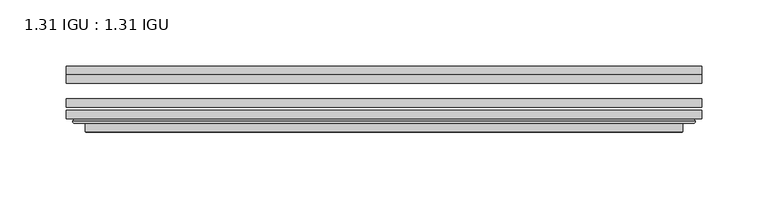
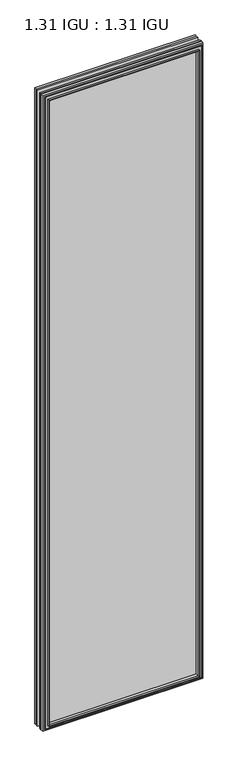
"""IFC4 building model written with IfcOpenShell, lengths in millimetres: plate geometry, 1.31 IGU : 1.31 IGU."""

from ifc_helpers import new_model, si_unit, frame, origin, place, context, project, spatial, polyline, ellipse_curve, outline, extrude, faceted_brep, source, transform, mapped, element, save
from ifc_brep_helpers import plane_surface, cylinder_surface, advanced_brep


def plate_1_31_igu_1_31_igu_384d74a5(model_context):
    return source(origin(), model_context, "Body", "SolidModel", [
        extrude(outline(polyline([(239.726675, -66.4725937), (239.726675, -72.8225938), (-239.7125, -72.8225938), (-239.7125, -66.4725937), (239.726675, -66.4725937)])), frame((0.0, 0.0, -14.2875), z_axis=(0.0, 0.0, 1.0), x_axis=(1.0, 0.0, 0.0)), (0.0, 0.0, 1.0), 2009.7964726),
        extrude(outline(polyline([(-239.7125, -81.4585938), (-239.7125, -75.1080887), (239.726675, -75.1080887), (239.726675, -81.4585938), (-239.7125, -81.4585938)])), frame((0.0, 0.0, -14.2875), z_axis=(0.0, 0.0, 1.0), x_axis=(1.0, 0.0, 0.0)), (0.0, 0.0, 1.0), 2009.7964726),
        extrude(outline(polyline([(239.726675, -48.1337937), (239.726675, -54.4837938), (-239.7125, -54.4837938), (-239.7125, -48.1337937), (239.726675, -48.1337937)])), frame((0.0, 0.0, -14.2875), z_axis=(0.0, 0.0, 1.0), x_axis=(1.0, 0.0, 0.0)), (0.0, 0.0, 1.0), 2009.7964726),
        faceted_brep([(-225.4196902, -41.7837938, 1981.2123649), (-224.5272559, -48.1337937, 1980.3199306), (-224.5272559, -48.1337937, 0.8977441), (-225.4196902, -41.7837938, 0.0053098), (-239.7252, -48.1337937, 1995.5178747), (-239.7252, -41.7837938, 1995.5178747), (-239.7252, -41.7837938, -14.3002), (-239.7252, -48.1337937, -14.3002), (224.5272559, -48.1337937, 0.8977441), (225.4196902, -41.7837938, 0.0053098), (239.7252, -41.7837938, -14.3002), (239.7252, -48.1337937, -14.3002), (224.5272559, -48.1337937, 1980.3199306), (225.4196902, -41.7837938, 1981.2123649), (239.7252, -41.7837938, 1995.5178747), (239.7252, -48.1337937, 1995.5178747)], [[[0, 1, 2, 3]], [[4, 5, 6, 7]], [[3, 2, 8, 9]], [[7, 6, 10, 11]], [[9, 8, 12, 13]], [[11, 10, 14, 15]], [[7, 11, 15, 4], [1, 12, 8, 2]], [[13, 12, 1, 0]], [[5, 14, 10, 6], [3, 9, 13, 0]], [[15, 14, 5, 4]]]),
        advanced_brep(
        [(-233.8236349, -84.6335938, 1989.6163096), (-234.8254244, -83.4482604, 1990.6180991), (-234.8254244, -83.4482604, -9.4004244), (-233.8236349, -84.6335938, -8.3986349), (-225.4195784, -91.0948368, 1981.2122532), (-225.4195784, -84.6335938, 1981.2122532), (-225.4195784, -84.6335938, 0.0054216), (-225.4195784, -91.0948368, 0.0054216), (-224.4289217, -90.6958619, 1980.2215964), (-224.4289217, -90.6958619, 0.9960783), (-223.3968939, -85.2986307, 1979.1895686), (-223.3968939, -85.2986307, 2.0281061), (-218.4620621, -81.4585938, 1974.2547368), (-218.4620621, -81.4585938, 6.9629379), (-232.471219, -81.4585938, 1988.2638938), (-232.471219, -81.4585938, -7.046219), (234.8254244, -83.4482604, -9.4004244), (233.8236349, -84.6335938, -8.3986349), (225.4195784, -84.6335938, 0.0054216), (225.4195784, -91.0948368, 0.0054216), (224.4289217, -90.6958619, 0.9960783), (223.3968939, -85.2986307, 2.0281061), (218.4620621, -81.4585938, 6.9629379), (232.471219, -81.4585938, -7.046219), (234.8254244, -83.4482604, 1990.6180991), (233.8236349, -84.6335938, 1989.6163096), (225.4195784, -84.6335938, 1981.2122532), (225.4195784, -91.0948368, 1981.2122532), (224.4289217, -90.6958619, 1980.2215964), (223.3968939, -85.2986307, 1979.1895686), (218.4620621, -81.4585938, 1974.2547368), (232.471219, -81.4585938, 1988.2638938)],
        [
            (0, 1, ellipse_curve(frame((-233.8236349, -83.6175938, 1989.6163096), z_axis=(-0.7071067811865475, 0.0, -0.7071067811865475), x_axis=(-0.7071067811865474, 0.0, 0.7071067811865476)), 1.436841, 1.016)),
            (1, 2),
            (2, 3, ellipse_curve(frame((-233.8236349, -83.6175938, -8.3986349), z_axis=(-0.7071067811865475, 0.0, 0.7071067811865475), x_axis=(0.7071067811865474, 0.0, 0.7071067811865476)), 1.436841, 1.016)),
            (3, 0),
            (4, 5),
            (5, 6),
            (6, 7),
            (7, 4),
            (8, 4, ellipse_curve(frame((-225.0526219, -90.5766015, 1980.8452966), z_axis=(-0.7071067811865475, 0.0, -0.7071067811865475), x_axis=(-0.7071067811865474, 0.0, 0.7071067811865476)), 0.8980256, 0.635)),
            (7, 9, ellipse_curve(frame((-225.0526219, -90.5766015, 0.3723781), z_axis=(-0.7071067811865475, 0.0, 0.7071067811865475), x_axis=(0.7071067811865474, 0.0, 0.7071067811865476)), 0.8980256, 0.635)),
            (9, 8),
            (10, 8),
            (9, 11),
            (11, 10),
            (12, 10),
            (11, 13),
            (13, 12),
            (1, 14, ellipse_curve(frame((-232.471219, -83.8461938, 1988.2638938), z_axis=(-0.7071067811865475, 0.0, -0.7071067811865475), x_axis=(-0.7071067811865474, 0.0, 0.7071067811865476)), 3.3765763, 2.3876)),
            (14, 15),
            (15, 2, ellipse_curve(frame((-232.471219, -83.8461938, -7.046219), z_axis=(-0.7071067811865475, 0.0, 0.7071067811865475), x_axis=(0.7071067811865474, 0.0, 0.7071067811865476)), 3.3765763, 2.3876)),
            (2, 16),
            (16, 17, ellipse_curve(frame((233.8236349, -83.6175938, -8.3986349), z_axis=(-0.7071067811865475, 0.0, -0.7071067811865475), x_axis=(-0.7071067811865476, 0.0, 0.7071067811865474)), 1.436841, 1.016)),
            (17, 3),
            (6, 18),
            (18, 19),
            (19, 7),
            (19, 20, ellipse_curve(frame((225.0526219, -90.5766015, 0.3723781), z_axis=(-0.7071067811865475, 0.0, -0.7071067811865475), x_axis=(-0.7071067811865476, 0.0, 0.7071067811865474)), 0.8980256, 0.635)),
            (20, 9),
            (20, 21),
            (21, 11),
            (21, 22),
            (22, 13),
            (15, 23),
            (23, 16, ellipse_curve(frame((232.471219, -83.8461938, -7.046219), z_axis=(-0.7071067811865475, 0.0, -0.7071067811865475), x_axis=(-0.7071067811865476, 0.0, 0.7071067811865474)), 3.3765763, 2.3876)),
            (16, 24),
            (24, 25, ellipse_curve(frame((233.8236349, -83.6175938, 1989.6163096), z_axis=(0.7071067811865475, 0.0, -0.7071067811865475), x_axis=(-0.7071067811865474, 0.0, -0.7071067811865476)), 1.436841, 1.016)),
            (25, 17),
            (18, 26),
            (26, 27),
            (27, 19),
            (27, 28, ellipse_curve(frame((225.0526219, -90.5766015, 1980.8452966), z_axis=(0.7071067811865475, 0.0, -0.7071067811865475), x_axis=(-0.7071067811865474, 0.0, -0.7071067811865476)), 0.8980256, 0.635)),
            (28, 20),
            (28, 29),
            (29, 21),
            (29, 30),
            (30, 22),
            (23, 31),
            (31, 24, ellipse_curve(frame((232.471219, -83.8461938, 1988.2638938), z_axis=(0.7071067811865475, 0.0, -0.7071067811865475), x_axis=(-0.7071067811865474, 0.0, -0.7071067811865476)), 3.3765763, 2.3876)),
            (24, 1),
            (0, 25),
            (5, 26),
            (4, 27),
            (8, 28),
            (10, 29),
            (12, 30),
            (14, 31),
        ],
        [
            cylinder_surface(frame((-233.8236349, -83.6175938, 2012.9676747), z_axis=(0.0, 0.0, 1.0), x_axis=(-1.0, 0.0, 0.0)), 1.016),
            plane_surface(frame((-225.4195784, -84.6335938, 1981.2122532), z_axis=(-1.0, 0.0, 0.0), x_axis=(0.0, 0.0, -1.0))),
            cylinder_surface(frame((-225.0526219, -90.5766015, 2012.9676747), z_axis=(0.0, 0.0, 1.0), x_axis=(-1.0, 0.0, 0.0)), 0.635),
            plane_surface(frame((-224.4289217, -90.6958619, 1980.2215964), z_axis=(0.9822050625507717, -0.1878116479338675, 0.0), x_axis=(0.0, 0.0, -1.0))),
            plane_surface(frame((-223.3968939, -85.2986307, 1979.1895686), z_axis=(0.6141233906514726, -0.7892100234124875, 0.0), x_axis=(0.0, 0.0, -1.0))),
            cylinder_surface(frame((-232.471219, -83.8461938, 2012.9676747), z_axis=(0.0, 0.0, 1.0), x_axis=(-1.0, 0.0, 0.0)), 2.3876),
            cylinder_surface(frame((-257.175, -83.6175938, -8.3986349), z_axis=(-1.0, 0.0, 0.0), x_axis=(0.0, 0.0, -1.0)), 1.016),
            plane_surface(frame((-225.4195784, -84.6335938, 0.0054216), z_axis=(0.0, 0.0, -1.0), x_axis=(1.0, 0.0, 0.0))),
            cylinder_surface(frame((-257.175, -90.5766015, 0.3723781), z_axis=(-1.0, 0.0, 0.0), x_axis=(0.0, 0.0, -1.0)), 0.635),
            plane_surface(frame((-224.4289217, -90.6958619, 0.9960783), z_axis=(0.0, -0.18781164793386435, 0.9822050625507722), x_axis=(1.0, 0.0, 0.0))),
            plane_surface(frame((-223.3968939, -85.2986307, 2.0281061), z_axis=(0.0, -0.7892100234124855, 0.6141233906514751), x_axis=(1.0, 0.0, 0.0))),
            cylinder_surface(frame((-257.175, -83.8461938, -7.046219), z_axis=(-1.0, 0.0, 0.0), x_axis=(0.0, 0.0, -1.0)), 2.3876),
            cylinder_surface(frame((233.8236349, -83.6175938, -31.75), z_axis=(0.0, 0.0, -1.0), x_axis=(1.0, 0.0, 0.0)), 1.016),
            plane_surface(frame((225.4195784, -84.6335938, 0.0054216), z_axis=(1.0, 0.0, 0.0), x_axis=(0.0, 0.0, 1.0))),
            cylinder_surface(frame((225.0526219, -90.5766015, -31.75), z_axis=(0.0, 0.0, -1.0), x_axis=(1.0, 0.0, 0.0)), 0.635),
            plane_surface(frame((224.4289217, -90.6958619, 0.9960783), z_axis=(-0.9822050625507728, -0.18781164793386118, 0.0), x_axis=(0.0, 0.0, 1.0))),
            plane_surface(frame((223.3968939, -85.2986307, 2.0281061), z_axis=(-0.6141233906514777, -0.7892100234124835, 0.0), x_axis=(0.0, 0.0, 1.0))),
            cylinder_surface(frame((232.471219, -83.8461938, -31.75), z_axis=(0.0, 0.0, -1.0), x_axis=(1.0, 0.0, 0.0)), 2.3876),
            cylinder_surface(frame((257.175, -83.6175938, 1989.6163096), z_axis=(1.0, 0.0, 0.0), x_axis=(0.0, 0.0, 1.0)), 1.016),
            plane_surface(frame((233.8236349, -84.6335938, 1989.6163096), z_axis=(0.0, -1.0, 0.0), x_axis=(-1.0, 0.0, 0.0))),
            plane_surface(frame((225.4195784, -84.6335938, 1981.2122532), z_axis=(0.0, 0.0, 1.0), x_axis=(-1.0, 0.0, 0.0))),
            cylinder_surface(frame((257.175, -90.5766015, 1980.8452966), z_axis=(1.0, 0.0, 0.0), x_axis=(0.0, 0.0, 1.0)), 0.635),
            plane_surface(frame((224.4289217, -90.6958619, 1980.2215964), z_axis=(0.0, -0.18781164793386435, -0.9822050625507722), x_axis=(-1.0, 0.0, 0.0))),
            plane_surface(frame((223.3968939, -85.2986307, 1979.1895686), z_axis=(0.0, -0.7892100234124855, -0.6141233906514751), x_axis=(-1.0, 0.0, 0.0))),
            plane_surface(frame((218.4620621, -81.4585938, 1974.2547368), z_axis=(0.0, 1.0, 0.0), x_axis=(-1.0, 0.0, 0.0))),
            cylinder_surface(frame((257.175, -83.8461938, 1988.2638938), z_axis=(1.0, 0.0, 0.0), x_axis=(0.0, 0.0, 1.0)), 2.3876),
        ],
        [
            (0, [[1, 2, 3, 4]]),
            (1, [[5, 6, 7, 8]]),
            (2, [[9, -8, 10, 11]]),
            (3, [[12, -11, 13, 14]]),
            (4, [[15, -14, 16, 17]]),
            (5, [[18, 19, 20, -2]]),
            (6, [[-3, 21, 22, 23]]),
            (7, [[-7, 24, 25, 26]]),
            (8, [[-10, -26, 27, 28]]),
            (9, [[-13, -28, 29, 30]]),
            (10, [[-16, -30, 31, 32]]),
            (11, [[-20, 33, 34, -21]]),
            (12, [[-22, 35, 36, 37]]),
            (13, [[-25, 38, 39, 40]]),
            (14, [[-27, -40, 41, 42]]),
            (15, [[-29, -42, 43, 44]]),
            (16, [[-31, -44, 45, 46]]),
            (17, [[-34, 47, 48, -35]]),
            (18, [[-36, 49, -1, 50]]),
            (19, [[-23, -37, -50, -4], [51, -38, -24, -6]]),
            (20, [[-39, -51, -5, 52]]),
            (21, [[-41, -52, -9, 53]]),
            (22, [[-43, -53, -12, 54]]),
            (23, [[-45, -54, -15, 55]]),
            (24, [[56, -47, -33, -19], [-32, -46, -55, -17]]),
            (25, [[-48, -56, -18, -49]]),
        ],
    ),
    ])


if __name__ == "__main__":
    model = new_model("IFC4")
    model_context = context("Model", 3, world=origin())
    ifc_project = project(units=[si_unit("LENGTHUNIT", "METRE", prefix="MILLI")], contexts=[model_context])
    site = spatial("IfcSite", under=ifc_project)
    building = spatial("IfcBuilding", under=site)
    placement = place(None, origin())
    plate_1_31_igu_1_31_igu_shape = plate_1_31_igu_1_31_igu_384d74a5(model_context)
    element("IfcPlate", 1, ObjectType="1.31 IGU : 1.31 IGU", at=placement, inside=building, context=model_context, shape_type="MappedRepresentation", body=[
        mapped(plate_1_31_igu_1_31_igu_shape, transform((0.0, 0.0, 0.0), x_axis=(1.0, 0.0, 0.0), y_axis=(0.0, 1.0, 0.0), z_axis=(0.0, 0.0, 1.0))),
    ])
    save(model, "model.ifc")
